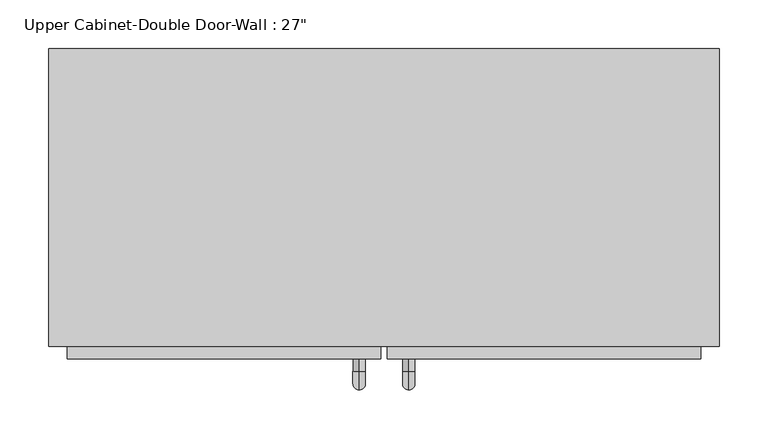
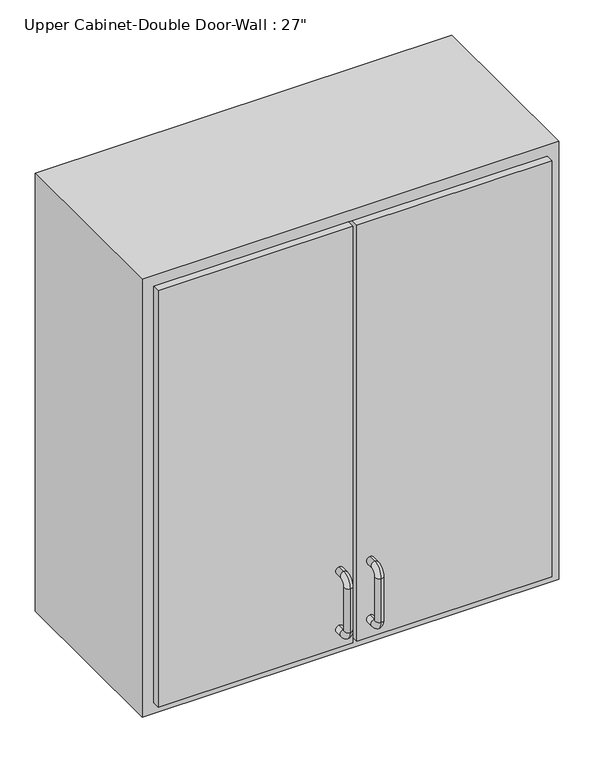
"""IFC4 building model written with IfcOpenShell, lengths in millimetres: furniture geometry."""

from ifc_helpers import new_model, si_unit, point, frame, origin, place, context, project, spatial, polyline, circle_curve, ellipse_curve, trimmed, outline, extrude, faceted_brep, source, transform, mapped, element, save
from ifc_brep_helpers import plane_surface, cylinder_surface, revolved_surface, advanced_brep


def furniture_336dd9b7(model_context):
    return source(origin(), model_context, "Body", "SolidModel", [
        faceted_brep([(-313.1288372, -69.85, 2133.6), (372.6711628, -69.85, 2133.6), (372.6711628, -69.85, 1371.6), (-313.1288372, -69.85, 1371.6), (-313.1288372, -374.65, 2133.6), (-313.1288372, -374.65, 1371.6), (372.6711628, -374.65, 1371.6), (372.6711628, -374.65, 2133.6), (-294.0788372, -374.65, 2114.55), (353.6211628, -374.65, 2114.55), (353.6211628, -374.65, 1390.65), (-294.0788372, -374.65, 1390.65), (-294.0788372, -88.9, 2114.55), (353.6211628, -88.9, 2114.55), (353.6211628, -88.9, 1390.65), (-294.0788372, -88.9, 1390.65)], [[[0, 1, 2, 3]], [[4, 5, 6, 7], [8, 9, 10, 11]], [[3, 5, 4, 0]], [[2, 6, 5, 3]], [[1, 7, 6, 2]], [[0, 4, 7, 1]], [[8, 12, 13, 9]], [[9, 13, 14, 10]], [[10, 14, 15, 11]], [[11, 15, 12, 8]], [[12, 15, 14, 13]]]),
        advanced_brep(
        [(55.1711628, -387.35, 1517.65), (55.1711628, -387.35, 1530.35), (55.1711628, -400.05, 1530.35), (55.1711628, -400.05, 1517.65), (55.1711628, -419.1, 1511.3), (55.1711628, -406.4, 1511.3), (55.1711628, -419.1, 1435.1), (55.1711628, -406.4, 1435.1), (55.1711628, -400.05, 1416.05), (55.1711628, -400.05, 1428.75), (55.1711628, -387.35, 1428.75), (55.1711628, -387.35, 1416.05)],
        [
            (0, 1, circle_curve(frame((55.1711628, -387.35, 1524.0), z_axis=(0.0, 1.0, 0.0), x_axis=(0.0, 0.0, -1.0)), 6.35)),
            (1, 0, circle_curve(frame((55.1711628, -387.35, 1524.0), z_axis=(0.0, 1.0, 0.0), x_axis=(0.0, 0.0, -1.0)), 6.35)),
            (1, 2),
            (2, 3, circle_curve(frame((55.1711628, -400.05, 1524.0), z_axis=(0.0, 1.0, 0.0), x_axis=(0.0, 0.0, -1.0)), 6.35)),
            (3, 0),
            (3, 2, circle_curve(frame((55.1711628, -400.05, 1524.0), z_axis=(0.0, 1.0, 0.0), x_axis=(0.0, 0.0, -1.0)), 6.35)),
            (4, 5, circle_curve(frame((55.1711628, -412.75, 1511.3), z_axis=(0.0, 0.0, 1.0), x_axis=(0.0, 1.0, 0.0)), 6.35)),
            (5, 3, circle_curve(frame((55.1711628, -400.05, 1511.3), z_axis=(-1.0, 0.0, 0.0), x_axis=(0.0, 0.0, 1.0)), 6.35)),
            (2, 4, circle_curve(frame((55.1711628, -400.05, 1511.3), z_axis=(1.0, 0.0, 0.0), x_axis=(0.0, 0.0, 1.0)), 19.05)),
            (5, 4, circle_curve(frame((55.1711628, -412.75, 1511.3), z_axis=(0.0, 0.0, 1.0), x_axis=(0.0, 1.0, 0.0)), 6.35)),
            (4, 6),
            (6, 7, circle_curve(frame((55.1711628, -412.75, 1435.1), z_axis=(0.0, 0.0, 1.0), x_axis=(0.0, 1.0, 0.0)), 6.35)),
            (7, 5),
            (7, 6, circle_curve(frame((55.1711628, -412.75, 1435.1), z_axis=(0.0, 0.0, 1.0), x_axis=(0.0, 1.0, 0.0)), 6.35)),
            (8, 9, circle_curve(frame((55.1711628, -400.05, 1422.4), z_axis=(0.0, -1.0, 0.0), x_axis=(0.0, 0.0, 1.0)), 6.35)),
            (9, 7, circle_curve(frame((55.1711628, -400.05, 1435.1), z_axis=(-1.0, 0.0, 0.0), x_axis=(0.0, -1.0, 0.0)), 6.35)),
            (6, 8, circle_curve(frame((55.1711628, -400.05, 1435.1), z_axis=(1.0, 0.0, 0.0), x_axis=(0.0, -1.0, 0.0)), 19.05)),
            (9, 8, circle_curve(frame((55.1711628, -400.05, 1422.4), z_axis=(0.0, -1.0, 0.0), x_axis=(0.0, 0.0, 1.0)), 6.35)),
            (10, 11, circle_curve(frame((55.1711628, -387.35, 1422.4), z_axis=(0.0, 1.0, 0.0), x_axis=(0.0, 0.0, 1.0)), 6.35)),
            (11, 10, circle_curve(frame((55.1711628, -387.35, 1422.4), z_axis=(0.0, 1.0, 0.0), x_axis=(0.0, 0.0, 1.0)), 6.35)),
            (8, 11),
            (10, 9),
        ],
        [
            plane_surface(frame((48.8211628, -387.35, 1524.0), z_axis=(0.0, 1.0, 0.0), x_axis=(0.0, 0.0, 1.0))),
            cylinder_surface(frame((55.1711628, -387.35, 1524.0), z_axis=(0.0, 1.0, 0.0), x_axis=(0.0, 0.0, -1.0)), 6.35),
            revolved_surface(trimmed(ellipse_curve(frame((55.1711628, -400.05, 1524.0), z_axis=(0.0, -1.0, 0.0), x_axis=(0.0, 0.0, -1.0)), 6.35, 6.35), [point((55.1711628, -400.05, 1517.65))], [point((55.1711628, -400.05, 1530.35))], True, "CARTESIAN"), (55.1711628, -400.05, 1511.3), (-1.0, 0.0, 0.0)),
            revolved_surface(trimmed(ellipse_curve(frame((55.1711628, -400.05, 1524.0), z_axis=(0.0, -1.0, 0.0), x_axis=(0.0, 0.0, -1.0)), 6.35, 6.35), [point((55.1711628, -400.05, 1530.35))], [point((55.1711628, -400.05, 1517.65))], True, "CARTESIAN"), (55.1711628, -400.05, 1511.3), (-1.0, 0.0, 0.0)),
            cylinder_surface(frame((55.1711628, -412.75, 1511.3), z_axis=(0.0, 0.0, 1.0), x_axis=(0.0, 1.0, 0.0)), 6.35),
            revolved_surface(trimmed(ellipse_curve(frame((55.1711628, -412.75, 1435.1), z_axis=(0.0, 0.0, -1.0), x_axis=(0.0, 1.0, 0.0)), 6.35, 6.35), [point((55.1711628, -406.4, 1435.1))], [point((55.1711628, -419.1, 1435.1))], True, "CARTESIAN"), (55.1711628, -400.05, 1435.1), (-1.0, 0.0, 0.0)),
            revolved_surface(trimmed(ellipse_curve(frame((55.1711628, -412.75, 1435.1), z_axis=(0.0, 0.0, -1.0), x_axis=(0.0, 1.0, 0.0)), 6.35, 6.35), [point((55.1711628, -419.1, 1435.1))], [point((55.1711628, -406.4, 1435.1))], True, "CARTESIAN"), (55.1711628, -400.05, 1435.1), (-1.0, 0.0, 0.0)),
            plane_surface(frame((48.8211628, -387.35, 1422.4), z_axis=(0.0, 1.0, 0.0), x_axis=(0.0, 0.0, -1.0))),
            cylinder_surface(frame((55.1711628, -400.05, 1422.4), z_axis=(0.0, -1.0, 0.0), x_axis=(0.0, 0.0, 1.0)), 6.35),
        ],
        [
            (0, [[1, 2]]),
            (1, [[3, 4, 5, -2]]),
            (1, [[-5, 6, -3, -1]]),
            (2, [[7, 8, -4, 9]]),
            (3, [[10, -9, -6, -8]]),
            (4, [[11, 12, 13, -7]]),
            (4, [[-13, 14, -11, -10]]),
            (5, [[15, 16, -12, 17]]),
            (6, [[18, -17, -14, -16]]),
            (7, [[19, 20]]),
            (8, [[21, -19, 22, -15]]),
            (8, [[-22, -20, -21, -18]]),
        ],
    ),
        advanced_brep(
        [(4.3711628, -387.35, 1517.65), (4.3711628, -387.35, 1530.35), (4.3711628, -400.05, 1530.35), (4.3711628, -400.05, 1517.65), (4.3711628, -419.1, 1511.3), (4.3711628, -406.4, 1511.3), (4.3711628, -419.1, 1435.1), (4.3711628, -406.4, 1435.1), (4.3711628, -400.05, 1416.05), (4.3711628, -400.05, 1428.75), (4.3711628, -387.35, 1428.75), (4.3711628, -387.35, 1416.05)],
        [
            (0, 1, circle_curve(frame((4.3711628, -387.35, 1524.0), z_axis=(0.0, 1.0, 0.0), x_axis=(0.0, 0.0, 1.0)), 6.35)),
            (1, 0, circle_curve(frame((4.3711628, -387.35, 1524.0), z_axis=(0.0, 1.0, 0.0), x_axis=(0.0, 0.0, 1.0)), 6.35)),
            (1, 2),
            (2, 3, circle_curve(frame((4.3711628, -400.05, 1524.0), z_axis=(0.0, 1.0, 0.0), x_axis=(0.0, 0.0, 1.0)), 6.35)),
            (3, 0),
            (3, 2, circle_curve(frame((4.3711628, -400.05, 1524.0), z_axis=(0.0, 1.0, 0.0), x_axis=(0.0, 0.0, 1.0)), 6.35)),
            (4, 5, circle_curve(frame((4.3711628, -412.75, 1511.3), z_axis=(0.0, 0.0, 1.0), x_axis=(0.0, -1.0, 0.0)), 6.35)),
            (5, 3, circle_curve(frame((4.3711628, -400.05, 1511.3), z_axis=(-1.0, 0.0, 0.0), x_axis=(0.0, 0.0, 1.0)), 6.35)),
            (2, 4, circle_curve(frame((4.3711628, -400.05, 1511.3), z_axis=(1.0, 0.0, 0.0), x_axis=(0.0, 0.0, 1.0)), 19.05)),
            (5, 4, circle_curve(frame((4.3711628, -412.75, 1511.3), z_axis=(0.0, 0.0, 1.0), x_axis=(0.0, -1.0, 0.0)), 6.35)),
            (4, 6),
            (6, 7, circle_curve(frame((4.3711628, -412.75, 1435.1), z_axis=(0.0, 0.0, 1.0), x_axis=(0.0, -1.0, 0.0)), 6.35)),
            (7, 5),
            (7, 6, circle_curve(frame((4.3711628, -412.75, 1435.1), z_axis=(0.0, 0.0, 1.0), x_axis=(0.0, -1.0, 0.0)), 6.35)),
            (8, 9, circle_curve(frame((4.3711628, -400.05, 1422.4), z_axis=(0.0, -1.0, 0.0), x_axis=(0.0, 0.0, -1.0)), 6.35)),
            (9, 7, circle_curve(frame((4.3711628, -400.05, 1435.1), z_axis=(-1.0, 0.0, 0.0), x_axis=(0.0, -1.0, 0.0)), 6.35)),
            (6, 8, circle_curve(frame((4.3711628, -400.05, 1435.1), z_axis=(1.0, 0.0, 0.0), x_axis=(0.0, -1.0, 0.0)), 19.05)),
            (9, 8, circle_curve(frame((4.3711628, -400.05, 1422.4), z_axis=(0.0, -1.0, 0.0), x_axis=(0.0, 0.0, -1.0)), 6.35)),
            (10, 11, circle_curve(frame((4.3711628, -387.35, 1422.4), z_axis=(0.0, 1.0, 0.0), x_axis=(0.0, 0.0, -1.0)), 6.35)),
            (11, 10, circle_curve(frame((4.3711628, -387.35, 1422.4), z_axis=(0.0, 1.0, 0.0), x_axis=(0.0, 0.0, -1.0)), 6.35)),
            (8, 11),
            (10, 9),
        ],
        [
            plane_surface(frame((-1.9788372, -387.35, 1524.0), z_axis=(0.0, 1.0, 0.0), x_axis=(0.0, 0.0, 1.0))),
            cylinder_surface(frame((4.3711628, -387.35, 1524.0), z_axis=(0.0, 1.0, 0.0), x_axis=(0.0, 0.0, 1.0)), 6.35),
            revolved_surface(trimmed(ellipse_curve(frame((4.3711628, -400.05, 1524.0), z_axis=(0.0, -1.0, 0.0), x_axis=(0.0, 0.0, 1.0)), 6.35, 6.35), [point((4.3711628, -400.05, 1517.65))], [point((4.3711628, -400.05, 1530.35))], True, "CARTESIAN"), (4.3711628, -400.05, 1511.3), (-1.0, 0.0, 0.0)),
            revolved_surface(trimmed(ellipse_curve(frame((4.3711628, -400.05, 1524.0), z_axis=(0.0, -1.0, 0.0), x_axis=(0.0, 0.0, 1.0)), 6.35, 6.35), [point((4.3711628, -400.05, 1530.35))], [point((4.3711628, -400.05, 1517.65))], True, "CARTESIAN"), (4.3711628, -400.05, 1511.3), (-1.0, 0.0, 0.0)),
            cylinder_surface(frame((4.3711628, -412.75, 1511.3), z_axis=(0.0, 0.0, 1.0), x_axis=(0.0, -1.0, 0.0)), 6.35),
            revolved_surface(trimmed(ellipse_curve(frame((4.3711628, -412.75, 1435.1), z_axis=(0.0, 0.0, -1.0), x_axis=(0.0, -1.0, 0.0)), 6.35, 6.35), [point((4.3711628, -406.4, 1435.1))], [point((4.3711628, -419.1, 1435.1))], True, "CARTESIAN"), (4.3711628, -400.05, 1435.1), (-1.0, 0.0, 0.0)),
            revolved_surface(trimmed(ellipse_curve(frame((4.3711628, -412.75, 1435.1), z_axis=(0.0, 0.0, -1.0), x_axis=(0.0, -1.0, 0.0)), 6.35, 6.35), [point((4.3711628, -419.1, 1435.1))], [point((4.3711628, -406.4, 1435.1))], True, "CARTESIAN"), (4.3711628, -400.05, 1435.1), (-1.0, 0.0, 0.0)),
            plane_surface(frame((-1.9788372, -387.35, 1422.4), z_axis=(0.0, 1.0, 0.0), x_axis=(0.0, 0.0, -1.0))),
            cylinder_surface(frame((4.3711628, -400.05, 1422.4), z_axis=(0.0, -1.0, 0.0), x_axis=(0.0, 0.0, -1.0)), 6.35),
        ],
        [
            (0, [[1, 2]]),
            (1, [[3, 4, 5, -2]]),
            (1, [[-5, 6, -3, -1]]),
            (2, [[7, 8, -4, 9]]),
            (3, [[10, -9, -6, -8]]),
            (4, [[11, 12, 13, -7]]),
            (4, [[-13, 14, -11, -10]]),
            (5, [[15, 16, -12, 17]]),
            (6, [[18, -17, -14, -16]]),
            (7, [[19, 20]]),
            (8, [[21, -19, 22, -15]]),
            (8, [[-22, -20, -21, -18]]),
        ],
    ),
        extrude(outline(polyline([(32.9461628, -387.35), (32.9461628, -355.6), (353.6211628, -355.6), (353.6211628, -387.35), (32.9461628, -387.35)])), frame((0.0, 0.0, 1390.65), z_axis=(0.0, 0.0, 1.0), x_axis=(1.0, 0.0, 0.0)), (0.0, 0.0, 1.0), 723.9),
        extrude(outline(polyline([(-294.0788372, -387.35), (-294.0788372, -355.6), (26.5961628, -355.6), (26.5961628, -387.35), (-294.0788372, -387.35)])), frame((0.0, 0.0, 1390.65), z_axis=(0.0, 0.0, 1.0), x_axis=(1.0, 0.0, 0.0)), (0.0, 0.0, 1.0), 723.9),
    ])


if __name__ == "__main__":
    model = new_model("IFC4")
    model_context = context("Model", 3, world=origin())
    ifc_project = project(units=[si_unit("LENGTHUNIT", "METRE", prefix="MILLI")], contexts=[model_context])
    site = spatial("IfcSite", under=ifc_project)
    building = spatial("IfcBuilding", under=site)
    placement = place(None, origin())
    furniture_shape = furniture_336dd9b7(model_context)
    element("IfcFurniture", 1, ObjectType="Upper Cabinet-Double Door-Wall : 27\"", at=placement, inside=building, context=model_context, shape_type="MappedRepresentation", body=[
        mapped(furniture_shape, transform((0.0, 0.0, 0.0), x_axis=(1.0, 0.0, 0.0), y_axis=(0.0, 1.0, 0.0), z_axis=(0.0, 0.0, 1.0))),
    ])
    save(model, "model.ifc")
